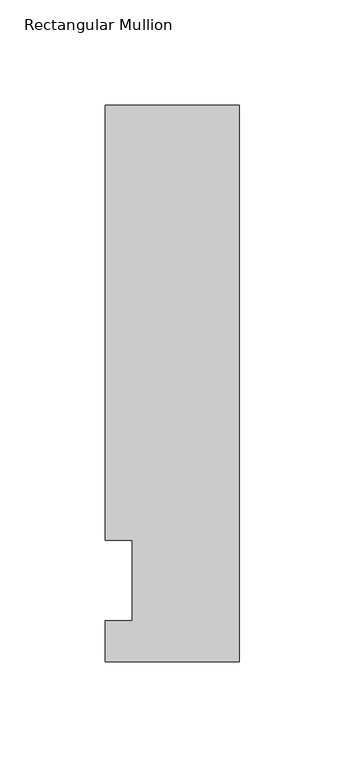
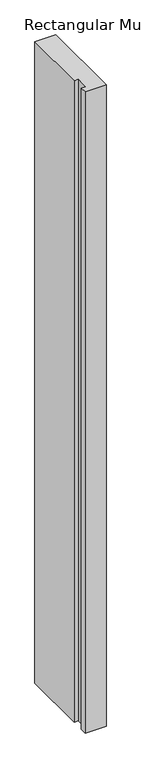
"""IFC4 building model written with IfcOpenShell, lengths in millimetres: member geometry, Rectangular Mullion."""

from ifc_helpers import new_model, si_unit, frame, origin, place, context, project, spatial, polyline, outline, extrude, source, transform, mapped, element, save


def rectangular_mullion_0fa07699(model_context):
    return source(origin(), model_context, "Body", "SweptSolid", [
        extrude(outline(polyline([(31.75, 264.0210938), (31.75, 0.0134938), (-31.75, 0.0134938), (-31.75, 19.5460938), (-19.05, 19.5460938), (-19.05, 57.6460938), (-31.75, 57.6460938), (-31.75, 264.0210938), (31.75, 264.0210938)])), frame((0.0, 0.0, -2057.4), z_axis=(0.0, 0.0, 1.0), x_axis=(1.0, 0.0, 0.0)), (0.0, 0.0, 1.0), 2057.4),
    ])


if __name__ == "__main__":
    model = new_model("IFC4")
    model_context = context("Model", 3, world=origin())
    ifc_project = project(units=[si_unit("LENGTHUNIT", "METRE", prefix="MILLI")], contexts=[model_context])
    site = spatial("IfcSite", under=ifc_project)
    building = spatial("IfcBuilding", under=site)
    placement = place(None, origin())
    rectangular_mullion_shape = rectangular_mullion_0fa07699(model_context)
    element("IfcMember", 1, ObjectType="Rectangular Mullion", at=placement, inside=building, context=model_context, shape_type="MappedRepresentation", body=[
        mapped(rectangular_mullion_shape, transform((0.0, 0.0, 0.0), x_axis=(1.0, 0.0, 0.0), y_axis=(0.0, 1.0, 0.0), z_axis=(0.0, 0.0, 1.0))),
    ])
    save(model, "model.ifc")
